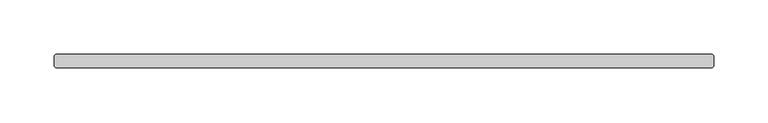
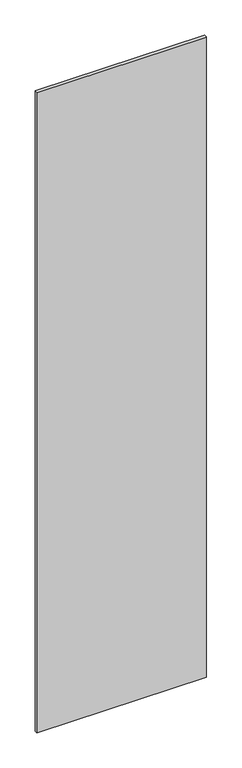
"""IFC4 building model written with IfcOpenShell, lengths in millimetres: plate geometry."""

from ifc_helpers import new_model, si_unit, origin, origin_with_axes, place, context, project, spatial, polyline, outline, extrude, source, transform, mapped, element, save


def plate_bd843544(model_context):
    return source(origin(), model_context, "Body", "SweptSolid", [
        extrude(outline(polyline([(302.815625, 6.35), (304.403125, 4.7625), (304.403125, -4.7625), (302.815625, -6.35), (-302.815625, -6.35), (-304.403125, -4.7625), (-304.403125, 4.7625), (-302.815625, 6.35), (302.815625, 6.35)])), origin_with_axes(), (0.0, 0.0, 1.0), 2427.1914267),
    ])


if __name__ == "__main__":
    model = new_model("IFC4")
    model_context = context("Model", 3, world=origin())
    ifc_project = project(units=[si_unit("LENGTHUNIT", "METRE", prefix="MILLI")], contexts=[model_context])
    site = spatial("IfcSite", under=ifc_project)
    building = spatial("IfcBuilding", under=site)
    placement = place(None, origin())
    plate_shape = plate_bd843544(model_context)
    element("IfcPlate", 1, at=placement, inside=building, context=model_context, shape_type="MappedRepresentation", body=[
        mapped(plate_shape, transform((0.0, 0.0, 0.0), x_axis=(1.0, 0.0, 0.0), y_axis=(0.0, 1.0, 0.0), z_axis=(0.0, 0.0, 1.0))),
    ])
    save(model, "model.ifc")
